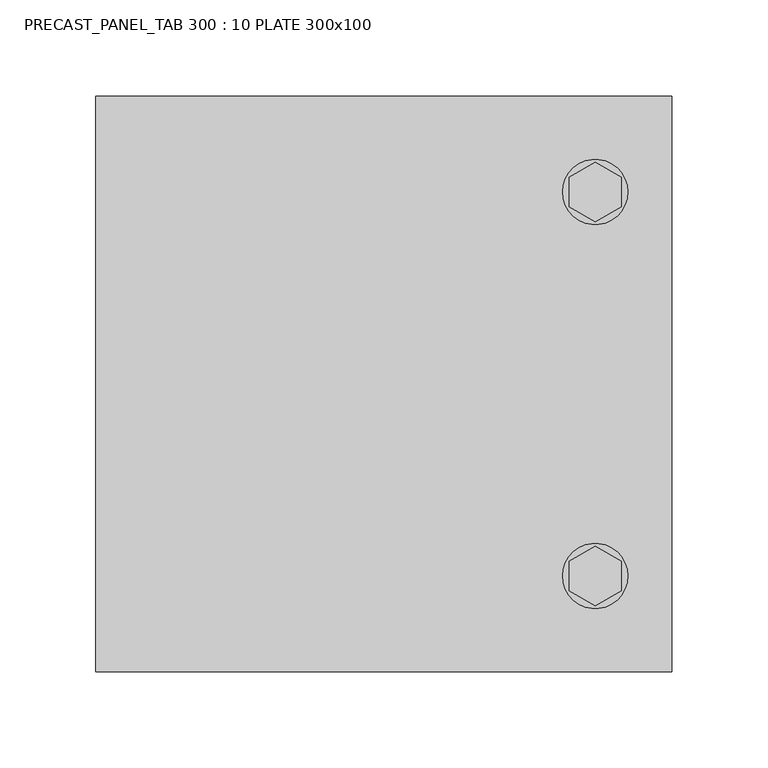
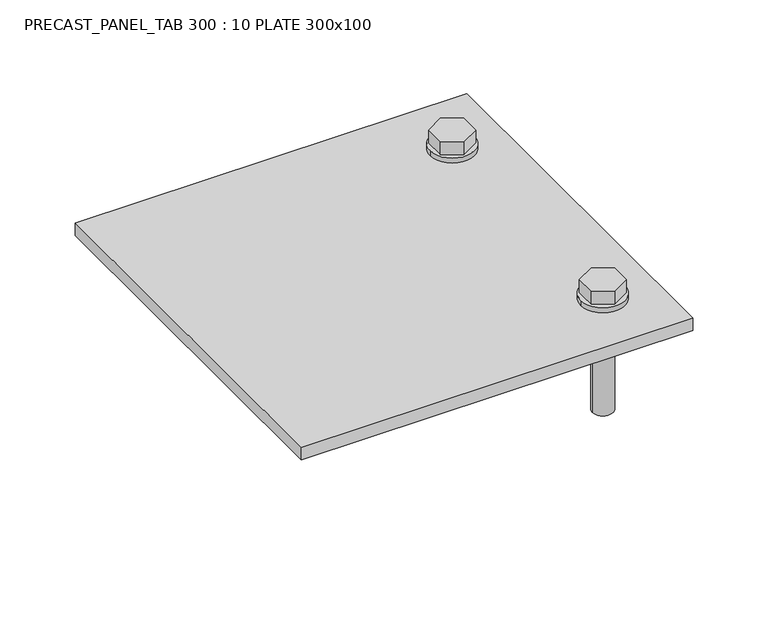
"""IFC4 building model written with IfcOpenShell, lengths in millimetres: fastener geometry, PRECAST_PANEL_TAB 300 : 10 PLATE 300x100."""

from ifc_helpers import new_model, si_unit, point, frame, frame_2d, origin, origin_with_axes, place, context, project, spatial, polyline, circle_curve, trimmed, segment, composite_curve, outline, extrude, source, transform, mapped, element, save


def precast_panel_tab_300_10_plate_300x100_8b6d51ca(model_context):
    return source(origin(), model_context, "Body", "SweptSolid", [
        extrude(outline(composite_curve([segment(trimmed(circle_curve(frame_2d((50.0, 100.0)), 17.0), [point((33.0, 100.0))], [point((67.0, 100.0))], False, "CARTESIAN"), True, "CONTINUOUS"), segment(trimmed(circle_curve(frame_2d((50.0, 100.0)), 17.0), [point((67.0, 100.0))], [point((33.0, 100.0))], False, "CARTESIAN"), True, "CONTINUOUS")], self_intersect=False)), frame((0.0, 0.0, 10.0), z_axis=(0.0, 0.0, 1.0), x_axis=(1.0, 0.0, 0.0)), (0.0, 0.0, 1.0), 4.0),
        extrude(outline(polyline([(50.0, 84.4115427), (36.5, 92.2057714), (36.5, 107.7942286), (50.0, 115.5884573), (63.5, 107.7942286), (63.5, 92.2057714), (50.0, 84.4115427)])), frame((0.0, 0.0, 14.0), z_axis=(0.0, 0.0, 1.0), x_axis=(1.0, 0.0, 0.0)), (0.0, 0.0, 1.0), 11.0),
        extrude(outline(composite_curve([segment(trimmed(circle_curve(frame_2d((50.0, 100.0)), 8.0), [point((42.0, 100.0))], [point((58.0, 100.0))], False, "CARTESIAN"), True, "CONTINUOUS"), segment(trimmed(circle_curve(frame_2d((50.0, 100.0)), 8.0), [point((58.0, 100.0))], [point((42.0, 100.0))], False, "CARTESIAN"), True, "CONTINUOUS")], self_intersect=False)), frame((0.0, 0.0, -80.0), z_axis=(0.0, 0.0, 1.0), x_axis=(1.0, 0.0, 0.0)), (0.0, 0.0, 1.0), 90.0),
        extrude(outline(composite_curve([segment(trimmed(circle_curve(frame_2d((50.0, -100.0)), 17.0), [point((33.0, -100.0))], [point((67.0, -100.0))], False, "CARTESIAN"), True, "CONTINUOUS"), segment(trimmed(circle_curve(frame_2d((50.0, -100.0)), 17.0), [point((67.0, -100.0))], [point((33.0, -100.0))], False, "CARTESIAN"), True, "CONTINUOUS")], self_intersect=False)), frame((0.0, 0.0, 10.0), z_axis=(0.0, 0.0, 1.0), x_axis=(1.0, 0.0, 0.0)), (0.0, 0.0, 1.0), 4.0),
        extrude(outline(polyline([(50.0, -115.5884573), (36.5, -107.7942286), (36.5, -92.2057714), (50.0, -84.4115427), (63.5, -92.2057714), (63.5, -107.7942286), (50.0, -115.5884573)])), frame((0.0, 0.0, 14.0), z_axis=(0.0, 0.0, 1.0), x_axis=(1.0, 0.0, 0.0)), (0.0, 0.0, 1.0), 11.0),
        extrude(outline(composite_curve([segment(trimmed(circle_curve(frame_2d((50.0, -100.0)), 8.0), [point((42.0, -100.0))], [point((58.0, -100.0))], False, "CARTESIAN"), True, "CONTINUOUS"), segment(trimmed(circle_curve(frame_2d((50.0, -100.0)), 8.0), [point((58.0, -100.0))], [point((42.0, -100.0))], False, "CARTESIAN"), True, "CONTINUOUS")], self_intersect=False)), frame((0.0, 0.0, -80.0), z_axis=(0.0, 0.0, 1.0), x_axis=(1.0, 0.0, 0.0)), (0.0, 0.0, 1.0), 90.0),
        extrude(outline(polyline([(90.0, -150.0), (-210.0, -150.0), (-210.0, 150.0), (90.0, 150.0), (90.0, -150.0)])), origin_with_axes(), (0.0, 0.0, 1.0), 10.0),
    ])


if __name__ == "__main__":
    model = new_model("IFC4")
    model_context = context("Model", 3, world=origin())
    ifc_project = project(units=[si_unit("LENGTHUNIT", "METRE", prefix="MILLI")], contexts=[model_context])
    site = spatial("IfcSite", under=ifc_project)
    building = spatial("IfcBuilding", under=site)
    placement = place(None, origin())
    precast_panel_tab_300_10_plate_300x100_shape = precast_panel_tab_300_10_plate_300x100_8b6d51ca(model_context)
    element("IfcFastener", 1, ObjectType="PRECAST_PANEL_TAB 300 : 10 PLATE 300x100", at=placement, inside=building, context=model_context, shape_type="MappedRepresentation", body=[
        mapped(precast_panel_tab_300_10_plate_300x100_shape, transform((0.0, 0.0, 0.0), x_axis=(1.0, 0.0, 0.0), y_axis=(0.0, 1.0, 0.0), z_axis=(0.0, 0.0, 1.0))),
    ])
    save(model, "model.ifc")
